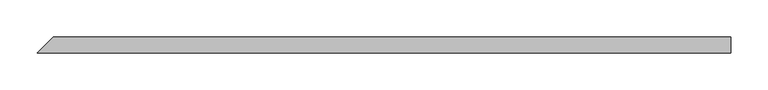
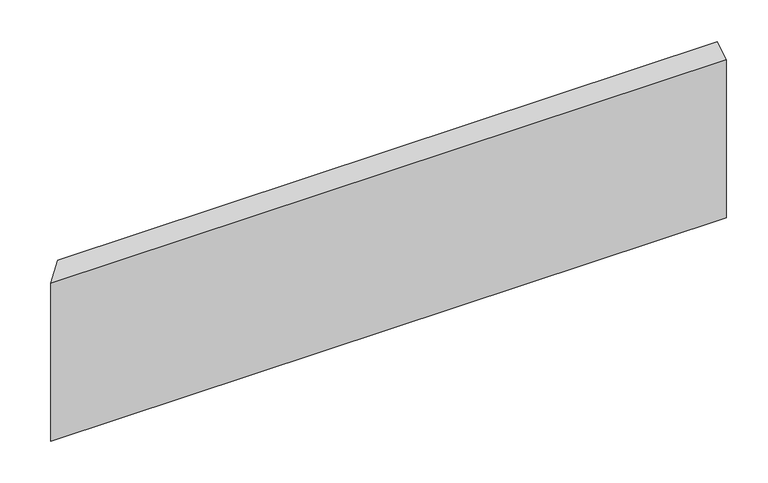
"""IFC4 building model written with IfcOpenShell, lengths in millimetres: beam geometry."""

from ifc_helpers import new_model, si_unit, origin, place, context, project, spatial, faceted_brep, source, transform, mapped, element, save


def beam_ba1052ae(model_context):
    return source(origin(), model_context, "Body", "Brep", [
        faceted_brep([(462.3931272, -11.0, 109.3536999), (-473.3931272, -11.0, 109.3536999), (-473.3931272, -11.0, -122.1870332), (462.3931272, -11.0, -122.1870332), (462.3931272, 11.0, 122.1870332), (462.3931272, 11.0, -109.3536999), (-451.3931272, 11.0, -109.3536999), (-451.3931272, 11.0, 122.1870332)], [[[0, 1, 2, 3]], [[4, 5, 6, 7]], [[5, 4, 0, 3]], [[6, 5, 3, 2]], [[7, 6, 2, 1]], [[4, 7, 1, 0]]]),
    ])


if __name__ == "__main__":
    model = new_model("IFC4")
    model_context = context("Model", 3, world=origin())
    ifc_project = project(units=[si_unit("LENGTHUNIT", "METRE", prefix="MILLI")], contexts=[model_context])
    site = spatial("IfcSite", under=ifc_project)
    building = spatial("IfcBuilding", under=site)
    placement = place(None, origin())
    beam_shape = beam_ba1052ae(model_context)
    element("IfcBeam", 1, at=placement, inside=building, context=model_context, shape_type="MappedRepresentation", body=[
        mapped(beam_shape, transform((0.0, 0.0, 0.0), x_axis=(1.0, 0.0, 0.0), y_axis=(0.0, 1.0, 0.0), z_axis=(0.0, 0.0, 1.0))),
    ])
    save(model, "model.ifc")
